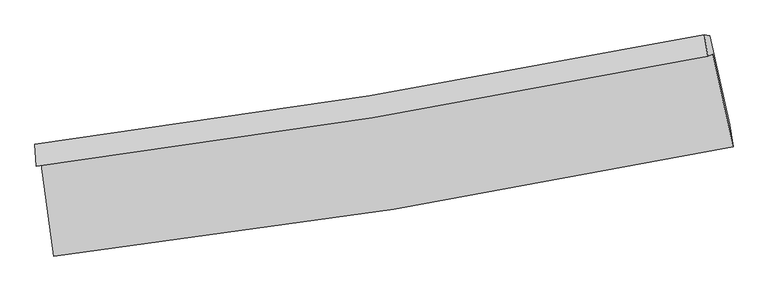
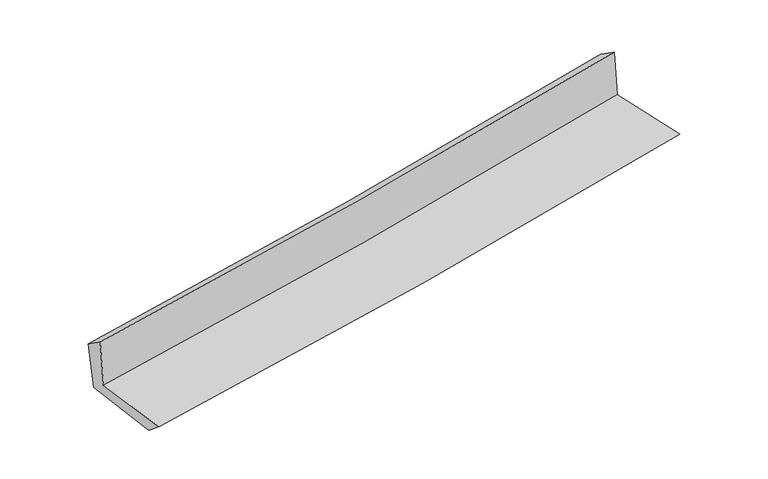
"""IFC4 building model written with IfcOpenShell, lengths in millimetres: proxy geometry."""

from ifc_helpers import new_model, si_unit, frame, origin, place, context, project, spatial, source, transform, mapped, element, save
from ifc_brep_helpers import plane_surface, spline_curve, spline_surface, advanced_brep


def generic_models_4cc5cc36(model_context):
    return source(origin(), model_context, "Body", "AdvancedBrep", [
        advanced_brep(
        [(-2437.6683161, -1875.6447405, 1657.6891439), (-2349.9321139, -2535.9833432, 1654.5207328), (2529.2456427, -1750.5029863, 2101.4621544), (2382.0232277, -1085.4239155, 2104.3347917), (-2472.6577912, -1890.8017338, 2068.3488697), (2347.8843641, -1100.2124347, 2505.0111754), (-2483.6640343, -1732.2238238, 1957.4084592), (2323.8374517, -948.2816795, 2403.0028475), (-2446.4210331, -1746.414271, 1564.8753906), (2362.3246972, -955.5851279, 2008.0356959), (-2357.7809169, -2402.0033276, 1544.6918414), (2505.3284956, -1593.4774682, 1986.005739)],
        [
            (0, 1),
            (1, 2, spline_curve(3, [(-2349.9321139, -2535.9833432, 1654.5207328), (-1533.294193109, -2442.009437772, 1736.526108813), (-719.22719969, -2329.742090981, 1814.703618112), (907.187115391, -2068.069922178, 1963.716445295), (1719.512707612, -1918.510483564, 2034.519409988), (2529.2456427, -1750.5029863, 2101.4621544)], [4, 2, 4], [0.0, 8.077743275299127, 16.18955143311701])),
            (2, 3),
            (3, 0, spline_curve(3, [(2382.0232277, -1085.4239155, 2104.3347917), (1581.922229013, -1248.689043946, 2032.450453002), (779.380539084, -1396.27899095, 1959.206641688), (-827.203764857, -1659.554555659, 1810.313365169), (-1631.225922812, -1775.371550493, 1734.67529377), (-2437.6683161, -1875.6447405, 1657.6891439)], [4, 2, 4], [0.0, 8.111808157817883, 16.18955143311701])),
            (4, 0),
            (3, 5),
            (5, 4, spline_curve(3, [(2347.8843641, -1100.2124347, 2505.0111754), (1547.641151506, -1263.539168634, 2434.795954334), (744.957321161, -1411.190688852, 2363.22039585), (-861.910519137, -1674.58907792, 2217.654892747), (-1666.074073934, -1790.467324181, 2143.676349379), (-2472.6577912, -1890.8017338, 2068.3488697)], [4, 2, 4], [0.0, 8.06400605918655, 16.094147976902743])),
            (6, 4),
            (5, 7),
            (7, 6, spline_curve(3, [(2323.8374517, -948.2816795, 2403.0028475), (1525.42313224, -1108.837770165, 2331.252574547), (724.743125026, -1254.550620423, 2258.163629405), (-877.776359498, -1515.740264231, 2109.620946758), (-1679.596847548, -1631.34146208, 2034.178429264), (-2483.6640343, -1732.2238238, 1957.4084592)], [4, 2, 4], [0.0, 8.05315930131608, 16.07250001124452])),
            (8, 6),
            (7, 9),
            (9, 8, spline_curve(3, [(2362.3246972, -955.5851279, 2008.0356959), (1564.09885845, -1119.461938794, 1937.578355201), (763.408769372, -1267.407990007, 1865.338210541), (-839.52712726, -1530.884185449, 1717.603166647), (-1641.752281742, -1646.547848563, 1642.123209491), (-2446.4210331, -1746.414271, 1564.8753906)], [4, 2, 4], [0.0, 8.044178680810004, 16.0545764836221])),
            (10, 8),
            (9, 11),
            (11, 10, spline_curve(3, [(2505.3284956, -1593.4774682, 1986.005739), (1698.476074033, -1763.400392367, 1918.158193359), (888.932377685, -1915.844078324, 1847.374716266), (-732.126649394, -2185.206200991, 1700.245477031), (-1543.619423888, -2302.271134965, 1623.924321639), (-2357.7809169, -2402.0033276, 1544.6918414)], [4, 2, 4], [0.0, 8.092356989262878, 16.15073077961672])),
            (1, 10),
            (11, 2),
        ],
        [
            spline_surface(3, 3, [[(-2437.6683161, -1875.6447405, 1657.6891439), (-1631.225922761, -1775.371550503, 1734.67529367), (-827.203764822, -1659.554555708, 1810.313365122), (779.380539049, -1396.278990902, 1959.206641736), (1581.922229027, -1248.689044075, 2032.450452884), (2382.0232277, -1085.4239155, 2104.3347917)], [(-2408.422915355, -2095.757608063, 1656.633006884), (-1598.582012852, -1997.584179624, 1735.292232071), (-791.211576468, -1882.950400802, 1811.776782812), (821.982731147, -1620.209301357, 1960.709909601), (1627.785721874, -1471.962857237, 2033.140105209), (2431.097366023, -1307.116939104, 2103.377245933)], [(-2379.177514645, -2315.870475637, 1655.576869816), (-1565.938102978, -2219.796808755, 1735.909170419), (-755.219388056, -2106.346245847, 1813.240200444), (864.584923304, -1844.139611763, 1962.213177407), (1673.64921475, -1695.236670389, 2033.829757534), (2480.171504377, -1528.809962696, 2102.419700167)], [(-2349.9321139, -2535.9833432, 1654.5207328), (-1533.294193069, -2442.009437876, 1736.52610882), (-719.227199702, -2329.742090941, 1814.703618135), (907.187115403, -2068.069922219, 1963.716445272), (1719.512707597, -1918.510483551, 2034.519409859), (2529.2456427, -1750.5029863, 2101.4621544)]], [4, 4], [4, 2, 4], [0.0, 2.2352107122024223], [0.0, 8.077743275299127, 16.18955143311701]),
            spline_surface(3, 3, [[(-2472.6577912, -1890.8017338, 2068.3488697), (-1666.074074046, -1790.467324133, 2143.676349288), (-861.910519203, -1674.589077995, 2217.654892711), (744.957321227, -1411.190688776, 2363.220395886), (1547.641151447, -1263.539168553, 2434.795954341), (2347.8843641, -1100.2124347, 2505.0111754)], [(-2460.994632834, -1885.749402703, 1931.462294442), (-1654.458023618, -1785.435399593, 2007.34266409), (-850.341601075, -1669.577570564, 2081.874383492), (756.431727169, -1406.220122816, 2228.54914448), (1559.068177295, -1258.589127044, 2300.680787186), (2359.263985288, -1095.282928283, 2371.452380831)], [(-2449.331474466, -1880.697071597, 1794.575719158), (-1642.841973188, -1780.403475044, 1871.008978868), (-838.77268295, -1664.566063139, 1946.093874341), (767.906133107, -1401.249556862, 2093.877893142), (1570.495203179, -1253.639085585, 2166.565620039), (2370.643606512, -1090.353421917, 2237.893586269)], [(-2437.6683161, -1875.6447405, 1657.6891439), (-1631.225922761, -1775.371550503, 1734.67529367), (-827.203764822, -1659.554555708, 1810.313365122), (779.380539049, -1396.278990902, 1959.206641736), (1581.922229027, -1248.689044075, 2032.450452884), (2382.0232277, -1085.4239155, 2104.3347917)]], [4, 4], [4, 2, 4], [0.0, 1.3366656741211065], [0.0, 8.030141917716193, 16.094147976902743]),
            spline_surface(3, 3, [[(-2483.6640343, -1732.2238238, 1957.4084592), (-1679.596847608, -1631.341462085, 2034.178429395), (-877.776359489, -1515.74026427, 2109.620946846), (724.743125017, -1254.550620383, 2258.163629317), (1525.423132266, -1108.837770096, 2331.252574594), (2323.8374517, -948.2816795, 2403.0028475)], [(-2479.995286616, -1785.083127154, 1994.388596036), (-1675.089256437, -1684.383416122, 2070.677736029), (-872.487746039, -1568.689868828, 2145.632262135), (731.481190442, -1306.763976497, 2293.182551507), (1532.829138679, -1160.404902933, 2365.767034505), (2331.853089186, -998.925264584, 2437.005623462)], [(-2476.326538884, -1837.942430446, 2031.368732864), (-1670.581665217, -1737.425370096, 2107.177042654), (-867.199132653, -1621.639473437, 2181.643577422), (738.219255802, -1358.977332662, 2328.201473696), (1540.235145034, -1211.972035717, 2400.28149443), (2339.868726614, -1049.568849616, 2471.008399438)], [(-2472.6577912, -1890.8017338, 2068.3488697), (-1666.074074046, -1790.467324133, 2143.676349288), (-861.910519203, -1674.589077995, 2217.654892711), (744.957321227, -1411.190688776, 2363.220395886), (1547.641151447, -1263.539168553, 2434.795954341), (2347.8843641, -1100.2124347, 2505.0111754)]], [4, 4], [4, 2, 4], [0.0, 0.6273030174228957], [0.0, 8.019340709928441, 16.07250001124452]),
            spline_surface(3, 3, [[(-2446.4210331, -1746.414271, 1564.8753906), (-1641.752281758, -1646.547848632, 1642.123209573), (-839.527127362, -1530.884185437, 1717.603166694), (763.408769475, -1267.40799002, 1865.338210494), (1564.09885847, -1119.461938817, 1937.578355157), (2362.3246972, -955.5851279, 2008.0356959)], [(-2458.835366817, -1741.684121932, 1695.719746771), (-1654.367137025, -1641.479053115, 1772.808282818), (-852.276871416, -1525.836211724, 1848.275760085), (750.52022131, -1263.12220015, 1996.280016774), (1551.206949714, -1115.920549228, 2068.803094969), (2349.495615345, -953.150645084, 2139.691413099)], [(-2471.249700583, -1736.953972868, 1826.564103029), (-1666.98199234, -1636.410257601, 1903.493356149), (-865.026615435, -1520.788237984, 1978.948353456), (737.631673182, -1258.836410253, 2127.221823036), (1538.315041022, -1112.379159686, 2200.027834783), (2336.666533555, -950.716162316, 2271.347130301)], [(-2483.6640343, -1732.2238238, 1957.4084592), (-1679.596847608, -1631.341462085, 2034.178429395), (-877.776359489, -1515.74026427, 2109.620946846), (724.743125017, -1254.550620383, 2258.163629317), (1525.423132266, -1108.837770096, 2331.252574594), (2323.8374517, -948.2816795, 2403.0028475)]], [4, 4], [4, 2, 4], [0.0, 1.2944606705746002], [0.0, 8.010397802812095, 16.0545764836221]),
            spline_surface(3, 3, [[(-2357.7809169, -2402.0033276, 1544.6918414), (-1543.619423829, -2302.271135003, 1623.924321743), (-732.12664934, -2185.206201025, 1700.245477061), (888.932377632, -1915.84407829, 1847.374716237), (1698.476073939, -1763.400392434, 1918.158193447), (2505.3284956, -1593.4774682, 1986.005739)], [(-2387.327622309, -2183.473642068, 1551.419691149), (-1576.330376482, -2083.696706214, 1629.990617702), (-767.926808677, -1967.098862489, 1706.03137362), (847.091174916, -1699.698715526, 1853.36254767), (1653.683668776, -1548.754241229, 1924.631580689), (2457.660562793, -1380.8466881, 1993.349057971)], [(-2416.874327691, -1964.943956532, 1558.147540851), (-1609.041329106, -1865.122277421, 1636.056913613), (-803.726968025, -1748.991523973, 1711.817270135), (805.24997219, -1483.553352783, 1859.35037906), (1608.891263633, -1334.108090023, 1931.104967916), (2409.992630007, -1168.215908, 2000.692376929)], [(-2446.4210331, -1746.414271, 1564.8753906), (-1641.752281758, -1646.547848632, 1642.123209573), (-839.527127362, -1530.884185437, 1717.603166694), (763.408769475, -1267.40799002, 1865.338210494), (1564.09885847, -1119.461938817, 1937.578355157), (2362.3246972, -955.5851279, 2008.0356959)]], [4, 4], [4, 2, 4], [0.0, 2.1717146432217223], [0.0, 8.05837379035384, 16.15073077961672]),
            spline_surface(3, 3, [[(-2349.9321139, -2535.9833432, 1654.5207328), (-1533.294193069, -2442.009437876, 1736.52610882), (-719.227199702, -2329.742090941, 1814.703618135), (907.187115403, -2068.069922219, 1963.716445272), (1719.512707597, -1918.510483551, 2034.519409859), (2529.2456427, -1750.5029863, 2101.4621544)], [(-2352.548381568, -2491.323337979, 1617.911102317), (-1536.735936657, -2395.430003564, 1698.992179778), (-723.527016243, -2281.563460969, 1776.550904425), (901.102202818, -2017.327974243, 1924.935868909), (1712.500496409, -1866.807119857, 1995.732337725), (2521.273260365, -1698.161146944, 2062.976682603)], [(-2355.164649232, -2446.663332821, 1581.301471883), (-1540.177680242, -2348.850569315, 1661.458250785), (-727.826832799, -2233.384830997, 1738.398190771), (895.017290217, -1966.586026266, 1886.1552926), (1705.488285127, -1815.103756129, 1956.945265581), (2513.300877935, -1645.819307556, 2024.491210797)], [(-2357.7809169, -2402.0033276, 1544.6918414), (-1543.619423829, -2302.271135003, 1623.924321743), (-732.12664934, -2185.206201025, 1700.245477061), (888.932377632, -1915.84407829, 1847.374716237), (1698.476073939, -1763.400392434, 1918.158193447), (2505.3284956, -1593.4774682, 1986.005739)]], [4, 4], [4, 2, 4], [0.0, 0.6188775004029049], [0.0, 8.114927242765186, 16.264076177623306]),
            plane_surface(frame((2408.4406465, -1238.9139353, 2184.6420673), z_axis=(0.9724157971218529, 0.21486259480272174, 0.09078316398161669), x_axis=(-0.09696838226420812, 0.018400994160403344, 0.9951173479821218))),
            plane_surface(frame((-2424.6873676, -2030.5118733, 1741.2557396), z_axis=(-0.9874141802085381, -0.13076642339551137, -0.08895717641341198), x_axis=(-0.13170653492050619, 0.9912773407019573, 0.004756308451875414))),
        ],
        [
            (0, [[1, 2, 3, 4]]),
            (1, [[5, -4, 6, 7]]),
            (2, [[8, -7, 9, 10]]),
            (3, [[11, -10, 12, 13]]),
            (4, [[14, -13, 15, 16]]),
            (5, [[17, -16, 18, -2]]),
            (6, [[-12, -9, -6, -3, -18, -15]]),
            (7, [[-1, -5, -8, -11, -14, -17]]),
        ],
    ),
    ])


if __name__ == "__main__":
    model = new_model("IFC4")
    model_context = context("Model", 3, world=origin())
    ifc_project = project(units=[si_unit("LENGTHUNIT", "METRE", prefix="MILLI")], contexts=[model_context])
    site = spatial("IfcSite", under=ifc_project)
    building = spatial("IfcBuilding", under=site)
    placement = place(None, origin())
    generic_models_shape = generic_models_4cc5cc36(model_context)
    element("IfcBuildingElementProxy", 1, Name="Generic Models", at=placement, inside=building, context=model_context, shape_type="MappedRepresentation", body=[
        mapped(generic_models_shape, transform((0.0, 0.0, 0.0), x_axis=(1.0, 0.0, 0.0), y_axis=(0.0, 1.0, 0.0), z_axis=(0.0, 0.0, 1.0))),
    ])
    save(model, "model.ifc")
